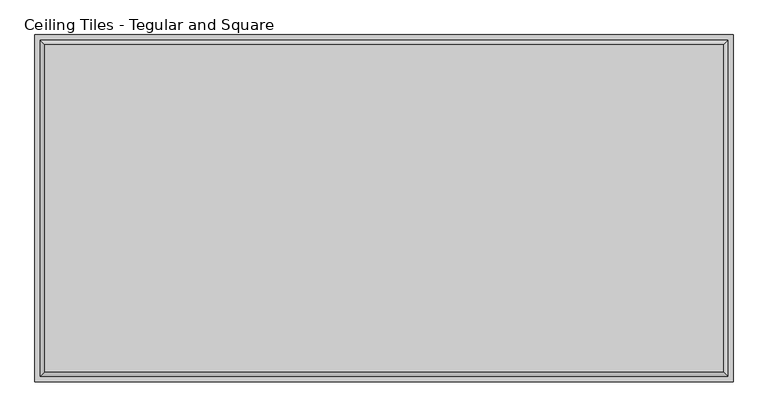
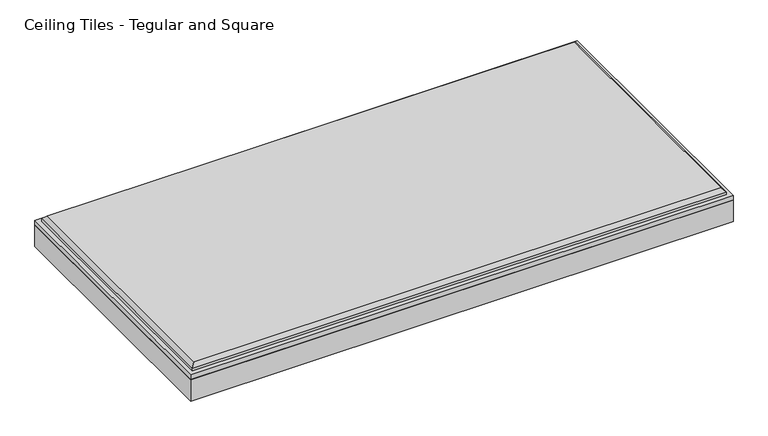
"""IFC4 building model written with IfcOpenShell, lengths in millimetres: proxy geometry, Ceiling Tiles - Tegular and Square."""

from ifc_helpers import new_model, si_unit, origin, origin_with_axes, place, context, project, spatial, polyline, outline, extrude, faceted_brep, source, transform, mapped, element, save


def ceiling_tiles_tegular_and_square_b8a83371(model_context):
    return source(origin(), model_context, "Body", "SolidModel", [
        extrude(outline(polyline([(606.425, 301.625), (606.425, -301.625), (-606.425, -301.625), (-606.425, 301.625), (606.425, 301.625)])), origin_with_axes(), (0.0, 0.0, 1.0), 50.8),
        faceted_brep([(588.899, 284.099, 76.2), (-588.899, 284.099, 76.2), (-588.899, -284.099, 76.2), (588.899, -284.099, 76.2), (-606.425, 301.625, 50.8), (606.425, 301.625, 50.8), (606.425, -301.625, 50.8), (-606.425, -301.625, 50.8), (-606.425, -301.625, 61.9125), (-606.425, 301.625, 61.9125), (606.425, -301.625, 61.9125), (606.425, 301.625, 61.9125), (596.9, 292.1, 68.199), (-596.9, 292.1, 68.199), (-596.9, -292.1, 68.199), (596.9, -292.1, 68.199), (596.9, 292.1, 61.9125), (-596.9, 292.1, 61.9125), (-596.9, -292.1, 61.9125), (596.9, -292.1, 61.9125)], [[[0, 1, 2, 3]], [[4, 5, 6, 7]], [[4, 7, 8, 9]], [[7, 6, 10, 8]], [[6, 5, 11, 10]], [[5, 4, 9, 11]], [[12, 13, 1, 0]], [[1, 13, 14, 2]], [[2, 14, 15, 3]], [[12, 0, 3, 15]], [[16, 17, 13, 12]], [[13, 17, 18, 14]], [[14, 18, 19, 15]], [[16, 12, 15, 19]], [[9, 8, 10, 11], [17, 16, 19, 18]]]),
    ])


if __name__ == "__main__":
    model = new_model("IFC4")
    model_context = context("Model", 3, world=origin())
    ifc_project = project(units=[si_unit("LENGTHUNIT", "METRE", prefix="MILLI")], contexts=[model_context])
    site = spatial("IfcSite", under=ifc_project)
    building = spatial("IfcBuilding", under=site)
    placement = place(None, origin())
    ceiling_tiles_tegular_and_square_shape = ceiling_tiles_tegular_and_square_b8a83371(model_context)
    element("IfcBuildingElementProxy", 1, Name="Ceiling Tiles - Tegular and Square", ObjectType="Ceiling Tiles - Tegular and Square", at=placement, inside=building, context=model_context, shape_type="MappedRepresentation", body=[
        mapped(ceiling_tiles_tegular_and_square_shape, transform((0.0, 0.0, 0.0), x_axis=(1.0, 0.0, 0.0), y_axis=(0.0, 1.0, 0.0), z_axis=(0.0, 0.0, 1.0))),
    ])
    save(model, "model.ifc")
